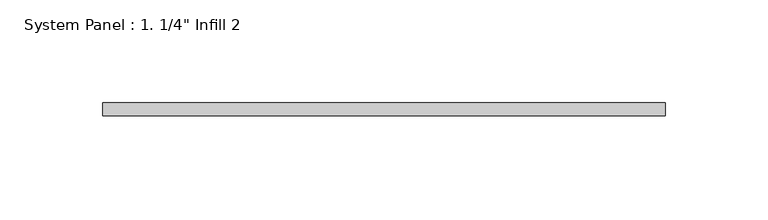
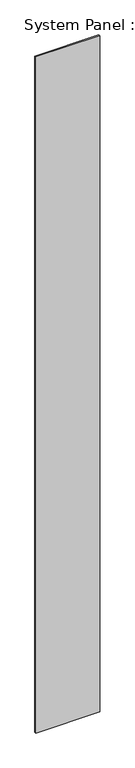
"""IFC4 building model written with IfcOpenShell, lengths in millimetres: plate geometry."""

from ifc_helpers import new_model, si_unit, origin, origin_with_axes, place, context, project, spatial, polyline, outline, extrude, source, transform, mapped, element, save


def plate_c0656ecc(model_context):
    return source(origin(), model_context, "Body", "SweptSolid", [
        extrude(outline(polyline([(136.5880237, -6.35), (-136.5880237, -6.35), (-136.5880237, 0.0), (136.5880237, 0.0), (136.5880237, -6.35)])), origin_with_axes(), (0.0, 0.0, 1.0), 3048.0),
    ])


if __name__ == "__main__":
    model = new_model("IFC4")
    model_context = context("Model", 3, world=origin())
    ifc_project = project(units=[si_unit("LENGTHUNIT", "METRE", prefix="MILLI")], contexts=[model_context])
    site = spatial("IfcSite", under=ifc_project)
    building = spatial("IfcBuilding", under=site)
    placement = place(None, origin())
    plate_shape = plate_c0656ecc(model_context)
    element("IfcPlate", 1, ObjectType="System Panel : 1. 1/4\" Infill 2", at=placement, inside=building, context=model_context, shape_type="MappedRepresentation", body=[
        mapped(plate_shape, transform((0.0, 0.0, 0.0), x_axis=(1.0, 0.0, 0.0), y_axis=(0.0, 1.0, 0.0), z_axis=(0.0, 0.0, 1.0))),
    ])
    save(model, "model.ifc")
